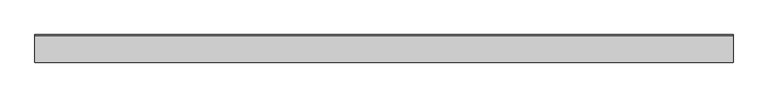
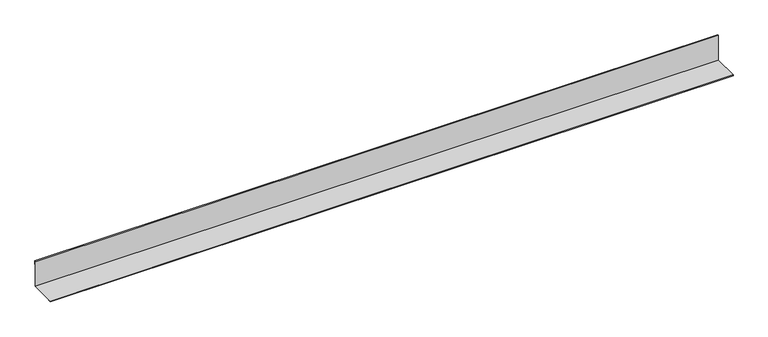
"""IFC4 building model written with IfcOpenShell, lengths in millimetres: proxy geometry."""

from ifc_helpers import new_model, si_unit, frame, origin, place, context, project, spatial, polyline, outline, extrude, source, transform, mapped, element, save


def generic_models_40537cc4(model_context):
    return source(origin(), model_context, "Body", "SweptSolid", [
        extrude(outline(polyline([(-75.0, 2.0), (-85.0, 2.0), (-85.0, 5.0), (-5.0, 5.0), (-5.0, 85.0), (-2.0, 85.0), (-2.0, 75.0), (-3.0, 75.0), (-3.0, 84.0), (-4.0, 84.0), (-4.0, 4.0), (-84.0, 4.0), (-84.0, 3.0), (-75.0, 3.0), (-75.0, 2.0)])), frame((0.0, 0.0, 0.0), z_axis=(1.0, 0.0, 0.0), x_axis=(0.0, 1.0, 0.0)), (0.0, 0.0, 1.0), 2100.0),
    ])


if __name__ == "__main__":
    model = new_model("IFC4")
    model_context = context("Model", 3, world=origin())
    ifc_project = project(units=[si_unit("LENGTHUNIT", "METRE", prefix="MILLI")], contexts=[model_context])
    site = spatial("IfcSite", under=ifc_project)
    building = spatial("IfcBuilding", under=site)
    placement = place(None, origin())
    generic_models_shape = generic_models_40537cc4(model_context)
    element("IfcBuildingElementProxy", 1, Name="Generic Models", at=placement, inside=building, context=model_context, shape_type="MappedRepresentation", body=[
        mapped(generic_models_shape, transform((0.0, 0.0, 0.0), x_axis=(1.0, 0.0, 0.0), y_axis=(0.0, 1.0, 0.0), z_axis=(0.0, 0.0, 1.0))),
    ])
    save(model, "model.ifc")
